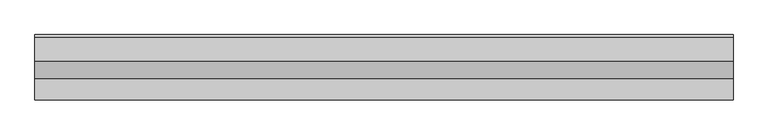
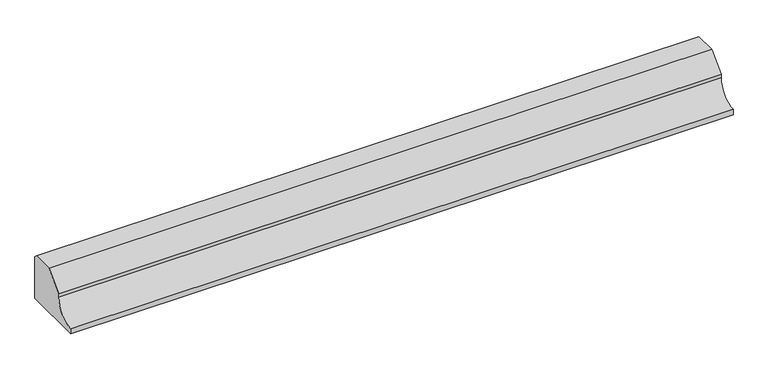
"""IFC4 building model written with IfcOpenShell, lengths in millimetres: proxy geometry."""

from ifc_helpers import new_model, si_unit, point, frame, frame_2d, origin, place, context, project, spatial, polyline, circle_curve, trimmed, segment, composite_curve, outline, extrude, source, transform, mapped, element, save


def generic_models_48c8f5d2(model_context):
    return source(origin(), model_context, "Body", "SweptSolid", [
        extrude(outline(composite_curve([segment(polyline([(-1144.7856698, 148.6), (-1065.3223642, 148.6), (-1055.0540151, 138.3316509), (-1055.0540151, -20.0), (-1280.0540151, -20.0), (-1280.0540151, 0.0)]), True, "CONTINUOUS"), segment(trimmed(circle_curve(frame_2d((-1280.0540151, 75.0)), 75.0), [point((-1280.0540151, 0.0))], [point((-1205.0540151, 75.0))], True, "CARTESIAN"), True, "CONTINUOUS"), segment(polyline([(-1205.0540151, 75.0), (-1205.0540151, 88.3316546), (-1144.7856698, 148.6)]), True, "CONTINUOUS")], self_intersect=False)), frame((-5302.3579656, 0.0, 0.0), z_axis=(1.0, 0.0, 0.0), x_axis=(0.0, 1.0, 0.0)), (0.0, 0.0, 1.0), 2400.0),
    ])


if __name__ == "__main__":
    model = new_model("IFC4")
    model_context = context("Model", 3, world=origin())
    ifc_project = project(units=[si_unit("LENGTHUNIT", "METRE", prefix="MILLI")], contexts=[model_context])
    site = spatial("IfcSite", under=ifc_project)
    building = spatial("IfcBuilding", under=site)
    placement = place(None, origin())
    generic_models_shape = generic_models_48c8f5d2(model_context)
    element("IfcBuildingElementProxy", 1, Name="Generic Models", at=placement, inside=building, context=model_context, shape_type="MappedRepresentation", body=[
        mapped(generic_models_shape, transform((0.0, 0.0, 0.0), x_axis=(1.0, 0.0, 0.0), y_axis=(0.0, 1.0, 0.0), z_axis=(0.0, 0.0, 1.0))),
    ])
    save(model, "model.ifc")
